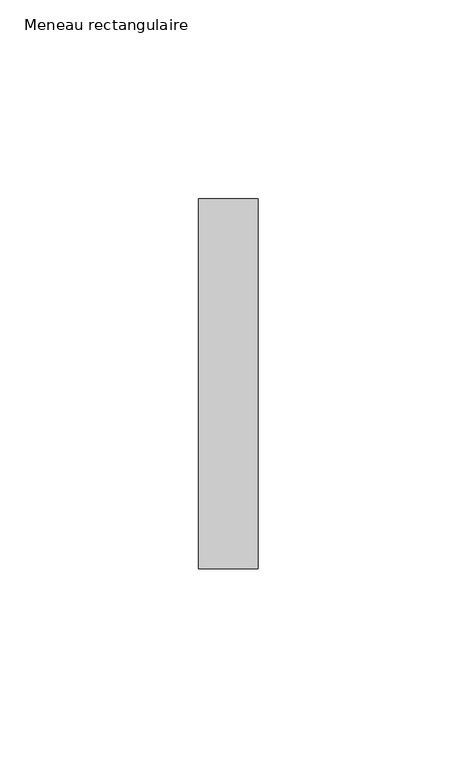
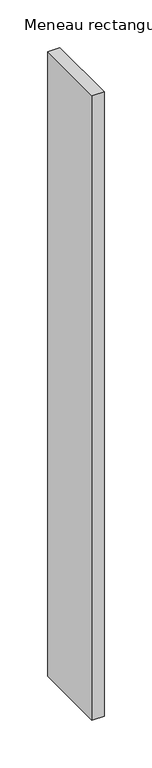
"""IFC4 building model written with IfcOpenShell, lengths in millimetres: member geometry, Meneau rectangulaire."""

from ifc_helpers import new_model, si_unit, frame, origin, place, context, project, spatial, polyline, outline, extrude, source, transform, mapped, element, save


def meneau_rectangulaire_a93b215b(model_context):
    return source(origin(), model_context, "Body", "SweptSolid", [
        extrude(outline(polyline([(0.0, 46.5), (0.0, -46.5), (-15.0, -46.5), (-15.0, 46.5), (0.0, 46.5)])), frame((0.0, 0.0, -800.7695155), z_axis=(0.0, 0.0, 1.0), x_axis=(1.0, 0.0, 0.0)), (0.0, 0.0, 1.0), 800.7695155),
    ])


if __name__ == "__main__":
    model = new_model("IFC4")
    model_context = context("Model", 3, world=origin())
    ifc_project = project(units=[si_unit("LENGTHUNIT", "METRE", prefix="MILLI")], contexts=[model_context])
    site = spatial("IfcSite", under=ifc_project)
    building = spatial("IfcBuilding", under=site)
    placement = place(None, origin())
    meneau_rectangulaire_shape = meneau_rectangulaire_a93b215b(model_context)
    element("IfcMember", 1, ObjectType="Meneau rectangulaire", at=placement, inside=building, context=model_context, shape_type="MappedRepresentation", body=[
        mapped(meneau_rectangulaire_shape, transform((0.0, 0.0, 0.0), x_axis=(1.0, 0.0, 0.0), y_axis=(0.0, 1.0, 0.0), z_axis=(0.0, 0.0, 1.0))),
    ])
    save(model, "model.ifc")
